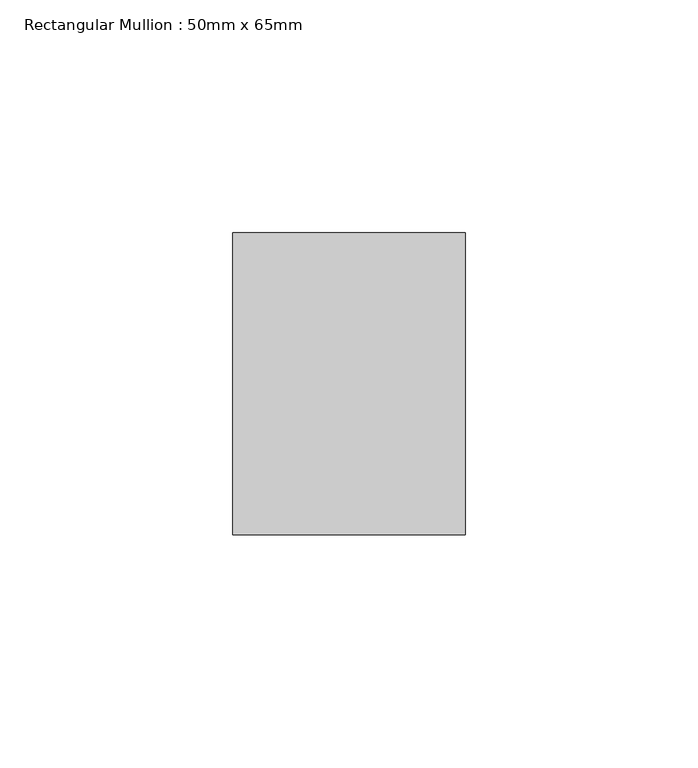
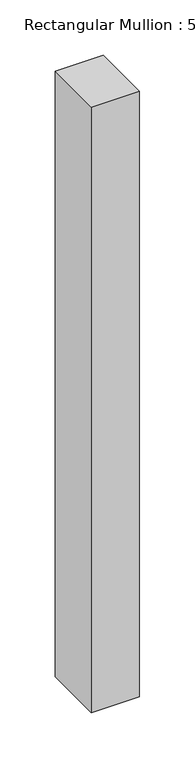
"""IFC4 building model written with IfcOpenShell, lengths in millimetres: member geometry, Rectangular Mullion : 50mm x 65mm."""

from ifc_helpers import new_model, si_unit, frame, origin, place, context, project, spatial, polyline, outline, extrude, source, transform, mapped, element, save


def rectangular_mullion_50mm_x_65mm_7b5842d3(model_context):
    return source(origin(), model_context, "Body", "SweptSolid", [
        extrude(outline(polyline([(25.0, 32.5), (25.0, -32.5), (-25.0, -32.5), (-25.0, 32.5), (25.0, 32.5)])), frame((0.0, 0.0, -667.540368), z_axis=(0.0, 0.0, 1.0), x_axis=(1.0, 0.0, 0.0)), (0.0, 0.0, 1.0), 667.540368),
    ])


if __name__ == "__main__":
    model = new_model("IFC4")
    model_context = context("Model", 3, world=origin())
    ifc_project = project(units=[si_unit("LENGTHUNIT", "METRE", prefix="MILLI")], contexts=[model_context])
    site = spatial("IfcSite", under=ifc_project)
    building = spatial("IfcBuilding", under=site)
    placement = place(None, origin())
    rectangular_mullion_50mm_x_65mm_shape = rectangular_mullion_50mm_x_65mm_7b5842d3(model_context)
    element("IfcMember", 1, ObjectType="Rectangular Mullion : 50mm x 65mm", at=placement, inside=building, context=model_context, shape_type="MappedRepresentation", body=[
        mapped(rectangular_mullion_50mm_x_65mm_shape, transform((0.0, 0.0, 0.0), x_axis=(1.0, 0.0, 0.0), y_axis=(0.0, 1.0, 0.0), z_axis=(0.0, 0.0, 1.0))),
    ])
    save(model, "model.ifc")
